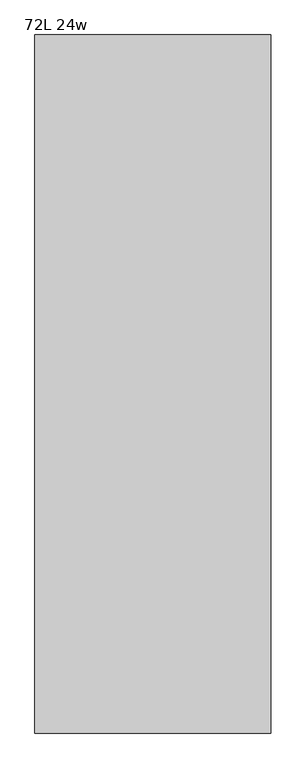
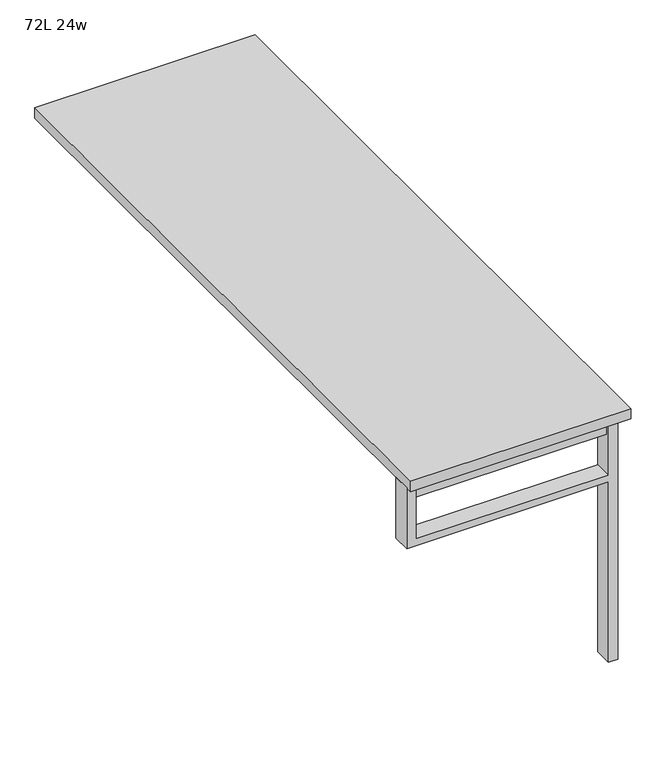
"""IFC4 building model written with IfcOpenShell, lengths in millimetres: furniture geometry, 72L 24w."""

from ifc_helpers import new_model, si_unit, frame, origin, place, context, project, spatial, polyline, outline, extrude, source, transform, mapped, element, save


def furniture_72l_24w_56dd75a1(model_context):
    return source(origin(), model_context, "Body", "SweptSolid", [
        extrude(outline(polyline([(-279.4, -841.375), (254.0, -841.375), (254.0, -873.125), (-279.4, -873.125), (-279.4, -841.375)])), frame((0.0, 0.0, 661.9875), z_axis=(0.0, 0.0, 1.0), x_axis=(1.0, 0.0, 0.0)), (0.0, 0.0, 1.0), 44.45),
        extrude(outline(polyline([(528.6375, 254.0), (0.0, 254.0), (0.0, 279.4), (706.4375, 279.4), (706.4375, 254.0), (547.6875, 254.0), (547.6875, -279.4), (706.4375, -279.4), (706.4375, -304.8), (528.6375, -304.8), (528.6375, 254.0)])), frame((0.0, -882.65, 0.0), z_axis=(0.0, 1.0, 0.0), x_axis=(0.0, 0.0, 1.0)), (0.0, 0.0, 1.0), 50.8),
        extrude(outline(polyline([(-304.8, -901.7), (-304.8, 901.7), (304.8, 901.7), (304.8, -901.7), (-304.8, -901.7)])), frame((0.0, 0.0, 706.4375), z_axis=(0.0, 0.0, 1.0), x_axis=(1.0, 0.0, 0.0)), (0.0, 0.0, 1.0), 30.1625),
    ])


if __name__ == "__main__":
    model = new_model("IFC4")
    model_context = context("Model", 3, world=origin())
    ifc_project = project(units=[si_unit("LENGTHUNIT", "METRE", prefix="MILLI")], contexts=[model_context])
    site = spatial("IfcSite", under=ifc_project)
    building = spatial("IfcBuilding", under=site)
    placement = place(None, origin())
    furniture_72l_24w_shape = furniture_72l_24w_56dd75a1(model_context)
    element("IfcFurniture", 1, ObjectType="72L 24w", at=placement, inside=building, context=model_context, shape_type="MappedRepresentation", body=[
        mapped(furniture_72l_24w_shape, transform((0.0, 0.0, 0.0), x_axis=(1.0, 0.0, 0.0), y_axis=(0.0, 1.0, 0.0), z_axis=(0.0, 0.0, 1.0))),
    ])
    save(model, "model.ifc")
